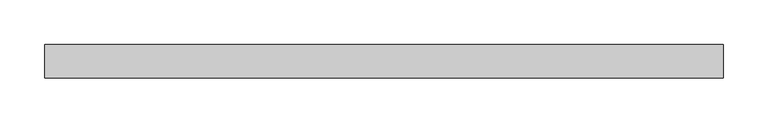
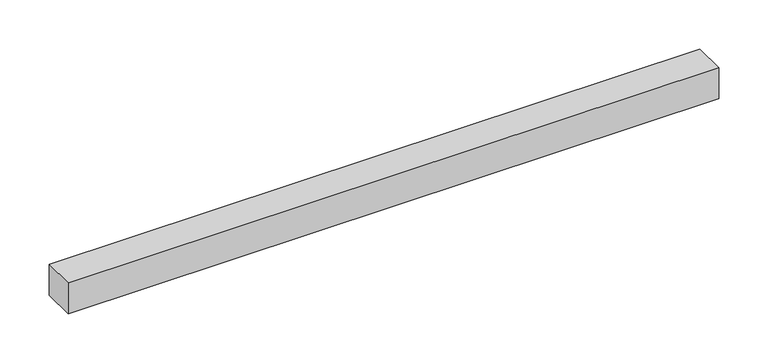
"""IFC4 building model written with IfcOpenShell, lengths in millimetres: beam geometry."""

import ifcopenshell
import ifcopenshell.guid

model = None  # the IFC model being written
_history = None  # IfcOwnerHistory: only IFC2X3 demands one
_inside = {}  # id of a spatial element -> (the spatial element, [elements in it])
_under = {}  # id of a project, library or spatial element -> (it, [spatial elements below it])
_declared = {}  # id of a project -> (the project, [libraries it declares])
_typed = {}  # id of a type object -> (the type object, [elements of that type])
_made_of = {}  # id of a material, layer set ... -> (it, [elements and type objects made of it])


def new_model(schema):
    """Start an empty IFC model of exactly this schema.

    Asked for "IFC4X3", IfcOpenShell would pick the latest addendum, in which some entities
    have other attributes; the version numbers below select the first issue.
    IFC2X3 requires an IfcOwnerHistory on every rooted entity: one is made here for all.
    """
    global model, _history
    if schema == "IFC4X3":
        model = ifcopenshell.file(schema_version=(4, 3, 0, 0))
    else:
        model = ifcopenshell.file(schema=schema)
    _inside.clear()
    _under.clear()
    _declared.clear()
    _typed.clear()
    _made_of.clear()
    _history = None
    if model.schema == "IFC2X3":
        org = make("IfcOrganization", Name="unknown")
        user = make(
            "IfcPersonAndOrganization",
            ThePerson=make("IfcPerson", FamilyName="unknown"),
            TheOrganization=org,
        )
        app = make(
            "IfcApplication",
            ApplicationDeveloper=org,
            Version="unknown",
            ApplicationFullName="unknown",
            ApplicationIdentifier="unknown",
        )
        _history = make(
            "IfcOwnerHistory",
            OwningUser=user,
            OwningApplication=app,
            ChangeAction="ADDED",
            CreationDate=0,
        )
    return model


def make(cls, **values):
    """One entity of the class cls with the attributes given. An attribute that is None is left unset."""
    return model.create_entity(
        cls, **{name: value for name, value in values.items() if value is not None}
    )


def rooted(cls, **values):
    """An entity with a GlobalId (a new one), such as an element, a storey or a relation."""
    return make(cls, GlobalId=ifcopenshell.guid.new(), OwnerHistory=_history, **values)


def si_unit(unit_type, name, prefix=None):
    """IfcSIUnit, for example si_unit("LENGTHUNIT", "METRE", prefix="MILLI")."""
    return make("IfcSIUnit", UnitType=unit_type, Prefix=prefix, Name=name)


def assignment(units):
    """IfcUnitAssignment: the units of a project."""
    return None if units is None else make("IfcUnitAssignment", Units=units)


def point(xyz):
    """IfcCartesianPoint."""
    return None if xyz is None else make("IfcCartesianPoint", Coordinates=xyz)


def direction(xyz):
    """IfcDirection."""
    return None if xyz is None else make("IfcDirection", DirectionRatios=xyz)


def frame(location, z_axis=None, x_axis=None):
    """IfcAxis2Placement3D, a coordinate frame: its origin and axes. An axis left out is left unset."""
    return make(
        "IfcAxis2Placement3D",
        Location=point(location),
        Axis=direction(z_axis),
        RefDirection=direction(x_axis),
    )


def origin():
    """The frame at (0, 0, 0) with its axes left unset."""
    return frame((0.0, 0.0, 0.0))


def place(relative_to, where):
    """IfcLocalPlacement: puts the frame where relative to a parent placement (None: the world)."""
    return make(
        "IfcLocalPlacement", PlacementRelTo=relative_to, RelativePlacement=where
    )


def context(
    kind, dimensions, precision=None, world=None, true_north=None, identifier=None
):
    """IfcGeometricRepresentationContext, for example the 3D "Model" context."""
    return make(
        "IfcGeometricRepresentationContext",
        ContextIdentifier=identifier,
        ContextType=kind,
        CoordinateSpaceDimension=dimensions,
        Precision=precision,
        WorldCoordinateSystem=world,
        TrueNorth=true_north,
    )


def project(units=None, contexts=None):
    """IfcProject with its units and contexts."""
    return rooted(
        "IfcProject",
        Name="project",
        RepresentationContexts=contexts,
        UnitsInContext=assignment(units),
    )


def spatial(cls, under=None, at=None, **own):
    """A site, building, storey or space (cls), placed at a placement, below another one or the project."""
    s = rooted(cls, ObjectPlacement=at, **own)
    if under is not None:
        _under.setdefault(under.id(), (under, []))[1].append(s)
    return s


def polyline(points):
    """IfcPolyline through the points."""
    return make("IfcPolyline", Points=[point(p) for p in points])


def outline(outer, holes=None, kind="AREA"):
    """IfcArbitraryClosedProfileDef: a profile drawn as a closed curve; with holes, ...WithVoids."""
    if holes is None:
        return make("IfcArbitraryClosedProfileDef", ProfileType=kind, OuterCurve=outer)
    return make(
        "IfcArbitraryProfileDefWithVoids",
        ProfileType=kind,
        OuterCurve=outer,
        InnerCurves=holes,
    )


def extrude(swept, where, along, depth):
    """IfcExtrudedAreaSolid: the profile swept, set in the frame where, extruded along a direction by depth."""
    return make(
        "IfcExtrudedAreaSolid",
        SweptArea=swept,
        Position=where,
        ExtrudedDirection=direction(along),
        Depth=depth,
    )


def shape(context_of_items, identifier, shape_type, items):
    """IfcShapeRepresentation: the items that make up one representation, for example the "Body"."""
    return make(
        "IfcShapeRepresentation",
        ContextOfItems=context_of_items,
        RepresentationIdentifier=identifier,
        RepresentationType=shape_type,
        Items=items,
    )


def source(mapping_origin, context_of_items, identifier, shape_type, items):
    """IfcRepresentationMap: a shape defined once, which mapped items show again and again."""
    return make(
        "IfcRepresentationMap",
        MappingOrigin=mapping_origin,
        MappedRepresentation=shape(context_of_items, identifier, shape_type, items),
    )


def transform(
    local_origin,
    x_axis=None,
    y_axis=None,
    z_axis=None,
    scale=None,
    scale2=None,
    scale3=None,
    uniform=True,
):
    """IfcCartesianTransformationOperator3D, or its non-uniform kind. x_axis, y_axis, z_axis: its Axis1, 2, 3."""
    if uniform:
        return make(
            "IfcCartesianTransformationOperator3D",
            Axis1=direction(x_axis),
            Axis2=direction(y_axis),
            LocalOrigin=point(local_origin),
            Scale=scale,
            Axis3=direction(z_axis),
        )
    return make(
        "IfcCartesianTransformationOperator3DnonUniform",
        Axis1=direction(x_axis),
        Axis2=direction(y_axis),
        LocalOrigin=point(local_origin),
        Scale=scale,
        Axis3=direction(z_axis),
        Scale2=scale2,
        Scale3=scale3,
    )


def mapped(mapping_source, mapping_target):
    """IfcMappedItem: shows the shape of a source again, moved by a transform."""
    return make(
        "IfcMappedItem", MappingSource=mapping_source, MappingTarget=mapping_target
    )


def made_of(thing, what):
    """Note that an element or type object is made of a material, layer set ...; save() writes the relation."""
    if what is not None:
        _made_of.setdefault(what.id(), (what, []))[1].append(thing)
    return thing


def element(
    cls,
    number,
    at=None,
    inside=None,
    cuts=None,
    type_object=None,
    material=None,
    context=None,
    identifier="Body",
    shape_type=None,
    held_by="IfcProductDefinitionShape",
    body=None,
    shapes=None,
    **own,
):
    """One element of the class cls, such as IfcWall. Its Tag is "e" and its number.

    at: its placement. inside: the storey or other place that contains it. cuts: it is an
    opening in that element (IfcRelVoidsElement). A single representation is given by context,
    identifier, shape_type and body (its items); several are given by shapes. held_by: the class
    of the entity that holds the representations. save() writes the other relations.
    """
    e = rooted(cls, Tag="e%d" % number, ObjectPlacement=at, **own)
    if body is not None:
        shapes = [shape(context, identifier, shape_type, body)]
    if shapes is not None:
        e.Representation = make(held_by, Representations=shapes)
    if inside is not None:
        _inside.setdefault(inside.id(), (inside, []))[1].append(e)
    if cuts is not None:
        rooted(
            "IfcRelVoidsElement", RelatingBuildingElement=cuts, RelatedOpeningElement=e
        )
    if type_object is not None:
        _typed.setdefault(type_object.id(), (type_object, []))[1].append(e)
    return made_of(e, material)


def aggregate(whole, parts):
    """IfcRelAggregates: a whole, such as a stair, and the parts it consists of."""
    return rooted("IfcRelAggregates", RelatingObject=whole, RelatedObjects=parts)


def save(model, path):
    """Write the relations noted so far, then the file.

    IfcRelAggregates (storeys below a building ...), IfcRelContainedInSpatialStructure (elements
    in a storey), IfcRelDefinesByType, IfcRelAssociatesMaterial and IfcRelDeclares: one each for
    every whole, place, type object, material and project.
    """
    for whole, parts in _under.values():
        aggregate(whole, parts)
    for where, things in _inside.values():
        rooted(
            "IfcRelContainedInSpatialStructure",
            RelatedElements=things,
            RelatingStructure=where,
        )
    for kind, things in _typed.values():
        rooted("IfcRelDefinesByType", RelatedObjects=things, RelatingType=kind)
    for what, things in _made_of.values():
        rooted("IfcRelAssociatesMaterial", RelatedObjects=things, RelatingMaterial=what)
    for by, libraries in _declared.values():
        rooted("IfcRelDeclares", RelatingContext=by, RelatedDefinitions=libraries)
    model.write(path)


def beam_274df3df(model_context):
    return source(origin(), model_context, "Body", "SweptSolid", [
        extrude(outline(polyline([(381.0, -19.05), (-381.0, -19.05), (-381.0, 19.05), (381.0, 19.05), (381.0, -19.05)])), frame((0.0, 0.0, -19.05), z_axis=(0.0, 0.0, 1.0), x_axis=(1.0, 0.0, 0.0)), (0.0, 0.0, 1.0), 38.1),
    ])


if __name__ == "__main__":
    model = new_model("IFC4")
    model_context = context("Model", 3, world=origin())
    ifc_project = project(units=[si_unit("LENGTHUNIT", "METRE", prefix="MILLI")], contexts=[model_context])
    site = spatial("IfcSite", under=ifc_project)
    building = spatial("IfcBuilding", under=site)
    placement = place(None, origin())
    beam_shape = beam_274df3df(model_context)
    element("IfcBeam", 1, at=placement, inside=building, context=model_context, shape_type="MappedRepresentation", body=[
        mapped(beam_shape, transform((0.0, 0.0, 0.0), x_axis=(1.0, 0.0, 0.0), y_axis=(0.0, 1.0, 0.0), z_axis=(0.0, 0.0, 1.0))),
    ])
    save(model, "model.ifc")
